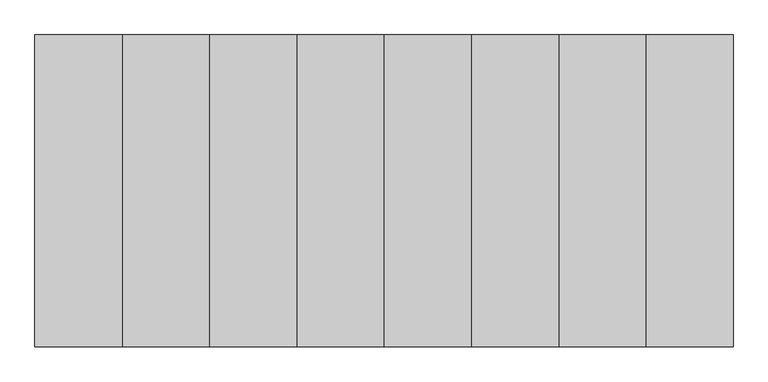
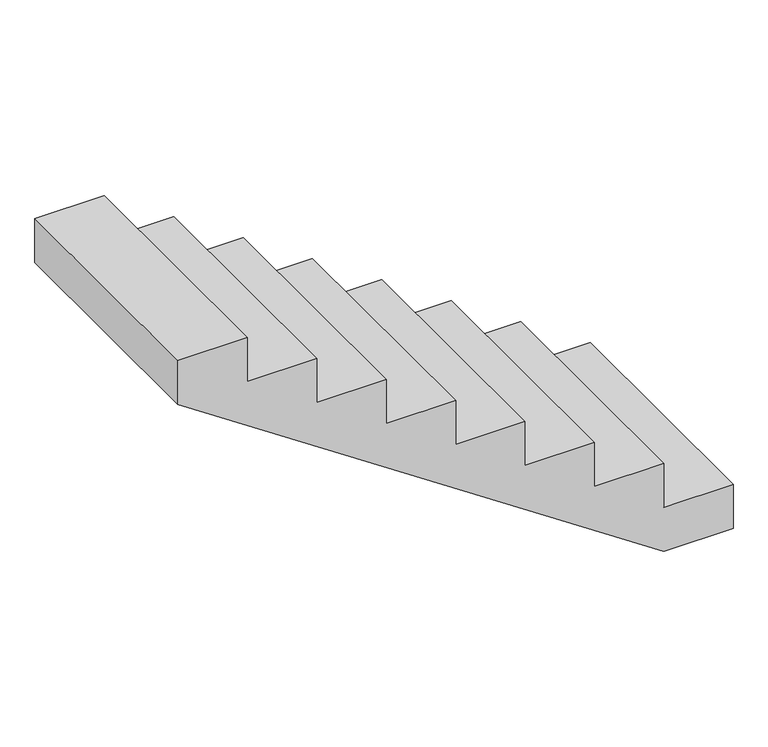
"""IFC4 building model written with IfcOpenShell, lengths in millimetres: stair geometry."""

from ifc_helpers import new_model, si_unit, origin, place, context, project, spatial, faceted_brep, source, transform, mapped, element, save


def stair_648d8a0f(model_context):
    return source(origin(), model_context, "Body", "Brep", [
        faceted_brep([(3434.1127713, 1000.0, 1500.0), (3434.1127713, 1000.0, 1312.5), (3714.1127713, 1000.0, 1312.5), (3714.1127713, 1000.0, 1125.0), (3994.1127713, 1000.0, 1125.0), (3994.1127713, 1000.0, 937.5), (4274.1127713, 1000.0, 937.5), (4274.1127713, 1000.0, 750.0), (4554.1127713, 1000.0, 750.0), (4554.1127713, 1000.0, 562.5), (4834.1127713, 1000.0, 562.5), (4834.1127713, 1000.0, 375.0), (5114.1127713, 1000.0, 375.0), (5114.1127713, 1000.0, 187.5), (5394.1127713, 1000.0, 187.5), (5394.1127713, 1000.0, 0.0), (5114.1127713, 1000.0, 0.0), (3172.7794379, 1000.0, 1300.0), (3154.1127713, 1000.0, 1312.5), (3154.1127713, 1000.0, 1500.0), (3434.1127713, 0.0, 1500.0), (3154.1127713, 0.0, 1500.0), (3154.1127713, 0.0, 1312.5), (3172.7794379, 0.0, 1300.0), (5114.1127713, 0.0, 0.0), (5394.1127713, 0.0, 0.0), (5394.1127713, 0.0, 187.5), (5114.1127713, 0.0, 187.5), (5114.1127713, 0.0, 375.0), (4834.1127713, 0.0, 375.0), (4834.1127713, 0.0, 562.5), (4554.1127713, 0.0, 562.5), (4554.1127713, 0.0, 750.0), (4274.1127713, 0.0, 750.0), (4274.1127713, 0.0, 937.5), (3994.1127713, 0.0, 937.5), (3994.1127713, 0.0, 1125.0), (3714.1127713, 0.0, 1125.0), (3714.1127713, 0.0, 1312.5), (3434.1127713, 0.0, 1312.5)], [[[0, 1, 2, 3, 4, 5, 6, 7, 8, 9, 10, 11, 12, 13, 14, 15, 16, 17, 18, 19]], [[20, 21, 22, 23, 24, 25, 26, 27, 28, 29, 30, 31, 32, 33, 34, 35, 36, 37, 38, 39]], [[0, 19, 21, 20]], [[19, 18, 22, 21]], [[18, 17, 16, 24, 23, 22]], [[16, 15, 25, 24]], [[15, 14, 26, 25]], [[14, 13, 27, 26]], [[13, 12, 28, 27]], [[12, 11, 29, 28]], [[11, 10, 30, 29]], [[10, 9, 31, 30]], [[9, 8, 32, 31]], [[8, 7, 33, 32]], [[7, 6, 34, 33]], [[6, 5, 35, 34]], [[5, 4, 36, 35]], [[4, 3, 37, 36]], [[3, 2, 38, 37]], [[2, 1, 39, 38]], [[1, 0, 20, 39]]]),
    ])


if __name__ == "__main__":
    model = new_model("IFC4")
    model_context = context("Model", 3, world=origin())
    ifc_project = project(units=[si_unit("LENGTHUNIT", "METRE", prefix="MILLI")], contexts=[model_context])
    site = spatial("IfcSite", under=ifc_project)
    building = spatial("IfcBuilding", under=site)
    placement = place(None, origin())
    stair_shape = stair_648d8a0f(model_context)
    element("IfcStair", 1, at=placement, inside=building, context=model_context, shape_type="MappedRepresentation", body=[
        mapped(stair_shape, transform((0.0, 0.0, 0.0), x_axis=(1.0, 0.0, 0.0), y_axis=(0.0, 1.0, 0.0), z_axis=(0.0, 0.0, 1.0))),
    ])
    save(model, "model.ifc")
